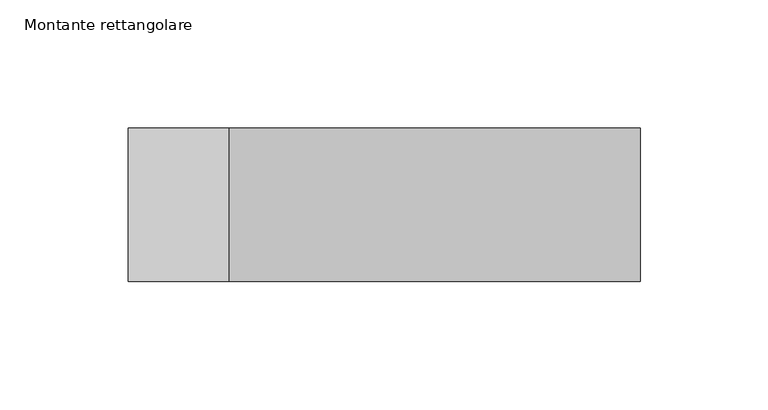
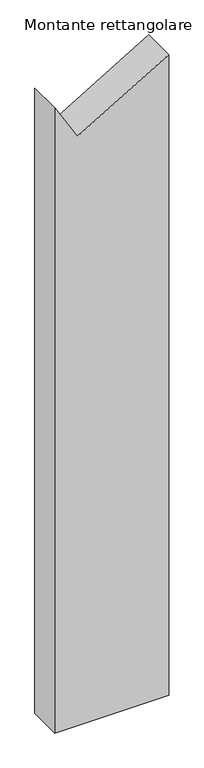
"""IFC4 building model written with IfcOpenShell, lengths in millimetres: member geometry, Montante rettangolare."""

from ifc_helpers import new_model, si_unit, frame, origin, place, context, project, spatial, polyline, outline, extrude, source, transform, mapped, element, save


def montante_rettangolare_112287f3(model_context):
    return source(origin(), model_context, "Body", "SweptSolid", [
        extrude(outline(polyline([(51.3140565, 100.0), (-44.0996292, -60.3759868), (22.502349, -100.0), (-1137.7384045, -100.0), (-1137.7384045, 100.0), (51.3140565, 100.0)])), frame((0.0, -30.0, 0.0), z_axis=(0.0, 1.0, 0.0), x_axis=(0.0, 0.0, 1.0)), (0.0, 0.0, 1.0), 60.0),
    ])


if __name__ == "__main__":
    model = new_model("IFC4")
    model_context = context("Model", 3, world=origin())
    ifc_project = project(units=[si_unit("LENGTHUNIT", "METRE", prefix="MILLI")], contexts=[model_context])
    site = spatial("IfcSite", under=ifc_project)
    building = spatial("IfcBuilding", under=site)
    placement = place(None, origin())
    montante_rettangolare_shape = montante_rettangolare_112287f3(model_context)
    element("IfcMember", 1, ObjectType="Montante rettangolare", at=placement, inside=building, context=model_context, shape_type="MappedRepresentation", body=[
        mapped(montante_rettangolare_shape, transform((0.0, 0.0, 0.0), x_axis=(1.0, 0.0, 0.0), y_axis=(0.0, 1.0, 0.0), z_axis=(0.0, 0.0, 1.0))),
    ])
    save(model, "model.ifc")
